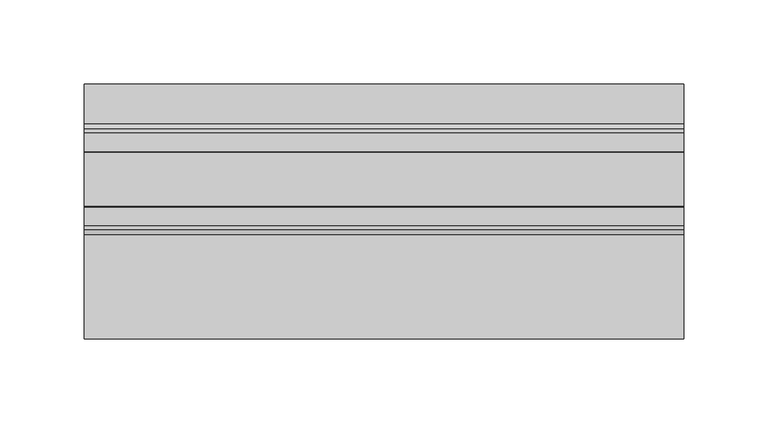
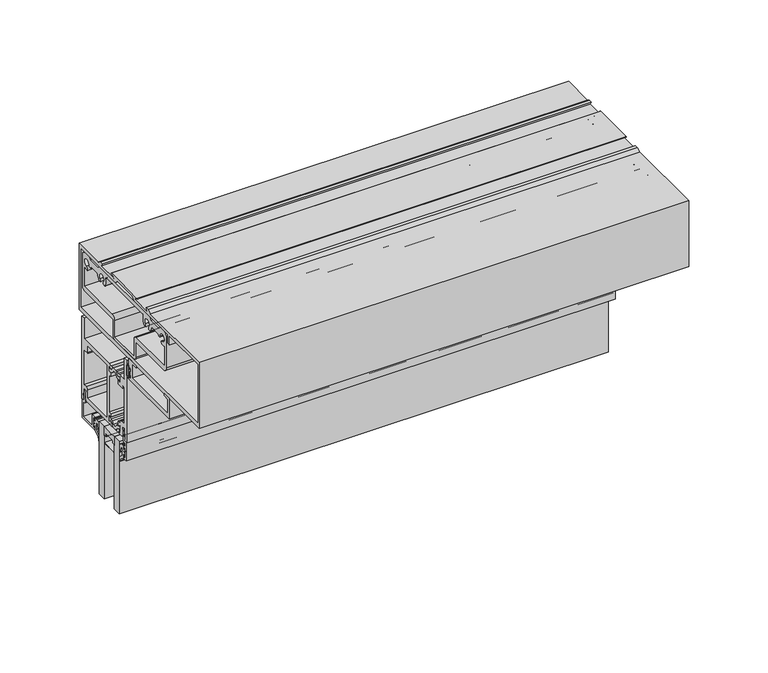
"""IFC4 building model written with IfcOpenShell, lengths in millimetres: plate geometry."""

from ifc_helpers import new_model, si_unit, point, frame, frame_2d, origin, place, context, project, spatial, polyline, circle_curve, trimmed, segment, composite_curve, outline, extrude, source, transform, mapped, element, save


def plate_59df8aa1(model_context):
    return source(origin(), model_context, "Body", "SweptSolid", [
        extrude(outline(composite_curve([segment(trimmed(circle_curve(frame_2d((-12.7, 252.348624)), 24.4943092), [point((-19.05, 228.6917289))], [point((-6.35, 228.6917289))], True, "CARTESIAN"), True, "CONTINUOUS"), segment(polyline([(-6.35, 228.6917289), (-6.35, 221.663957)]), True, "CONTINUOUS"), segment(trimmed(circle_curve(frame_2d((-7.14375, 221.663957)), 0.79375), [point((-6.35, 221.663957))], [point((-7.14375, 222.457707))], True, "CARTESIAN"), True, "CONTINUOUS"), segment(polyline([(-7.14375, 222.457707), (-8.3728775, 222.457707), (-8.3728775, 223.5556044)]), True, "CONTINUOUS"), segment(trimmed(circle_curve(frame_2d((-9.1666275, 223.5556044)), 0.79375), [point((-8.3728775, 223.5556044))], [point((-9.1666275, 224.3493544))], True, "CARTESIAN"), True, "CONTINUOUS"), segment(polyline([(-9.1666275, 224.3493544), (-16.2333725, 224.3493544)]), True, "CONTINUOUS"), segment(trimmed(circle_curve(frame_2d((-16.2333725, 223.5556044)), 0.79375), [point((-16.2333725, 224.3493544))], [point((-17.0271225, 223.5556044))], True, "CARTESIAN"), True, "CONTINUOUS"), segment(polyline([(-17.0271225, 223.5556044), (-17.0271225, 222.457707), (-18.25625, 222.457707)]), True, "CONTINUOUS"), segment(trimmed(circle_curve(frame_2d((-18.25625, 221.663957)), 0.79375), [point((-18.25625, 222.457707))], [point((-19.05, 221.663957))], True, "CARTESIAN"), True, "CONTINUOUS"), segment(polyline([(-19.05, 221.663957), (-19.05, 228.6917289)]), True, "CONTINUOUS")], self_intersect=False)), frame((-177.8, 0.0, 0.0), z_axis=(1.0, 0.0, 0.0), x_axis=(0.0, 1.0, 0.0)), (0.0, 0.0, 1.0), 355.6),
        extrude(outline(composite_curve([segment(polyline([(-34.9514484, 293.1066499), (-34.9514484, 285.1817967)]), True, "CONTINUOUS"), segment(trimmed(circle_curve(frame_2d((-36.1452484, 285.1817967)), 1.1938), [point((-34.9514484, 285.1817967))], [point((-37.3390484, 285.1817967))], False, "CARTESIAN"), True, "CONTINUOUS"), segment(polyline([(-37.3390484, 285.1817967), (-37.3390484, 287.1879153), (-38.31675, 287.1879153), (-38.31675, 285.7147153), (-39.2186484, 285.7147153), (-39.2186484, 287.5689153), (-37.7962484, 287.5689153), (-37.7962484, 290.7185153), (-39.2186484, 290.7185153), (-39.2186484, 292.5727153), (-38.31675, 292.5727153), (-38.31675, 291.0995153), (-37.3390484, 291.0995153), (-37.3390484, 293.1066499)]), True, "CONTINUOUS"), segment(trimmed(circle_curve(frame_2d((-36.1452484, 293.1066499)), 1.1938), [point((-37.3390484, 293.1066499))], [point((-34.9514484, 293.1066499))], False, "CARTESIAN"), True, "CONTINUOUS")], self_intersect=False), holes=[composite_curve([segment(trimmed(circle_curve(frame_2d((-36.1452484, 293.1066499)), 0.6858), [point((-35.4594484, 293.1066499))], [point((-36.8310484, 293.1066499))], True, "CARTESIAN"), True, "CONTINUOUS"), segment(polyline([(-36.8310484, 293.1066499), (-36.8310484, 285.1817967)]), True, "CONTINUOUS"), segment(trimmed(circle_curve(frame_2d((-36.1452484, 285.1817967)), 0.6858), [point((-36.8310484, 285.1817967))], [point((-35.4594484, 285.1817967))], True, "CARTESIAN"), True, "CONTINUOUS"), segment(polyline([(-35.4594484, 285.1817967), (-35.4594484, 293.1066499)]), True, "CONTINUOUS")], self_intersect=False)]), frame((-177.8, 0.0, 0.0), z_axis=(1.0, 0.0, 0.0), x_axis=(0.0, 1.0, 0.0)), (0.0, 0.0, 1.0), 355.6),
        extrude(outline(polyline([(-177.8, -6.35), (-177.8, 0.0), (177.8, 0.0), (177.8, -6.35), (-177.8, -6.35)])), frame((0.0, 0.0, 172.6847153), z_axis=(0.0, 0.0, 1.0), x_axis=(1.0, 0.0, 0.0)), (0.0, 0.0, 1.0), 56.0070136),
        extrude(outline(polyline([(-177.8, -25.4), (-177.8, -19.05), (177.8, -19.05), (177.8, -25.4), (-177.8, -25.4)])), frame((0.0, 0.0, 172.6847153), z_axis=(0.0, 0.0, 1.0), x_axis=(1.0, 0.0, 0.0)), (0.0, 0.0, 1.0), 56.0070136),
        extrude(outline(composite_curve([segment(polyline([(1.2146236, 217.7547881), (3.6195019, 220.0298082), (3.6195019, 223.3964394)]), True, "CONTINUOUS"), segment(trimmed(circle_curve(frame_2d((3.9370017, 223.7514153)), 0.47625), [point((3.6195019, 223.3964394))], [point((3.619501, 224.1063905))], True, "CARTESIAN"), True, "CONTINUOUS"), segment(polyline([(3.619501, 224.1063905), (3.619501, 225.6894264)]), True, "CONTINUOUS"), segment(trimmed(circle_curve(frame_2d((3.1116463, 224.2840488)), 1.4943235), [point((3.619501, 225.6894264))], [point((1.6174209, 224.301171))], True, "CARTESIAN"), True, "CONTINUOUS"), segment(polyline([(1.6174209, 224.301171), (0.5798898, 220.9663861)]), True, "CONTINUOUS"), segment(trimmed(circle_curve(frame_2d((0.2963183, 221.0546119)), 0.2969791), [point((0.5798898, 220.9663861))], [point((0.0, 221.0348119))], False, "CARTESIAN"), True, "CONTINUOUS"), segment(polyline([(0.0, 221.0348119), (0.0, 225.0824819)]), True, "CONTINUOUS"), segment(trimmed(circle_curve(frame_2d((2.8819649, 225.2349635)), 2.8859959), [point((0.0, 225.0824819))], [point((2.7993723, 228.1197774))], False, "CARTESIAN"), True, "CONTINUOUS"), segment(polyline([(2.7993723, 228.1197774), (3.619501, 228.1432578), (4.7625003, 228.1432578), (4.7625003, 225.2246164), (6.1341013, 225.2246164), (6.1341013, 226.5374454)]), True, "CONTINUOUS"), segment(trimmed(circle_curve(frame_2d((6.4896997, 226.8248149)), 0.4571996), [point((6.1341013, 226.5374454))], [point((6.9468994, 226.8248149))], False, "CARTESIAN"), True, "CONTINUOUS"), segment(polyline([(6.9468994, 226.8248149), (6.9468994, 224.7570221)]), True, "CONTINUOUS"), segment(trimmed(circle_curve(frame_2d((6.4706494, 224.7065795)), 0.4789139), [point((6.9468994, 224.7570221))], [point((6.4706494, 224.2276656))], False, "CARTESIAN"), True, "CONTINUOUS"), segment(trimmed(circle_curve(frame_2d((6.4706494, 223.7514156)), 0.47625), [point((6.4706494, 224.2276656))], [point((6.4706494, 223.2751656))], True, "CARTESIAN"), True, "CONTINUOUS"), segment(trimmed(circle_curve(frame_2d((6.3248962, 222.6704806)), 0.6220032), [point((6.4706494, 223.2751656))], [point((6.9468994, 222.6704806))], False, "CARTESIAN"), True, "CONTINUOUS"), segment(polyline([(6.9468994, 222.6704806), (6.9468994, 220.6780162)]), True, "CONTINUOUS"), segment(trimmed(circle_curve(frame_2d((6.4896997, 220.6780162)), 0.4571996), [point((6.9468994, 220.6780162))], [point((6.134102, 220.9653866))], False, "CARTESIAN"), True, "CONTINUOUS"), segment(polyline([(6.134102, 220.9653866), (6.134102, 222.2782299), (4.7625003, 222.2782299), (4.7625003, 218.4065425), (1.4889495, 215.9053304)]), True, "CONTINUOUS"), segment(trimmed(circle_curve(frame_2d((3.0879023, 213.93243)), 2.5394854), [point((1.4889495, 215.9053304))], [point((0.5496136, 213.8544755))], True, "CARTESIAN"), True, "CONTINUOUS"), segment(trimmed(circle_curve(frame_2d((0.2748716, 213.8460377)), 0.2748716), [point((0.5496136, 213.8544755))], [point((0.0, 213.8460377))], False, "CARTESIAN"), True, "CONTINUOUS"), segment(polyline([(0.0, 213.8460377), (0.0, 215.5592614)]), True, "CONTINUOUS"), segment(trimmed(circle_curve(frame_2d((3.0412561, 215.3105023)), 3.0514128), [point((0.0, 215.5592614))], [point((1.2146236, 217.7547881))], False, "CARTESIAN"), True, "CONTINUOUS")], self_intersect=False)), frame((-177.8, 0.0, 0.0), z_axis=(1.0, 0.0, 0.0), x_axis=(0.0, 1.0, 0.0)), (0.0, 0.0, 1.0), 355.6),
        extrude(outline(composite_curve([segment(trimmed(circle_curve(frame_2d((-28.4412561, 215.3105023)), 3.0514128), [point((-26.6146236, 217.7547881))], [point((-25.4, 215.5592614))], False, "CARTESIAN"), True, "CONTINUOUS"), segment(polyline([(-25.4, 215.5592614), (-25.4, 213.8460377)]), True, "CONTINUOUS"), segment(trimmed(circle_curve(frame_2d((-25.6748716, 213.8460377)), 0.2748716), [point((-25.4, 213.8460377))], [point((-25.9496136, 213.8544755))], False, "CARTESIAN"), True, "CONTINUOUS"), segment(trimmed(circle_curve(frame_2d((-28.4879023, 213.93243)), 2.5394854), [point((-25.9496136, 213.8544755))], [point((-26.8889495, 215.9053304))], True, "CARTESIAN"), True, "CONTINUOUS"), segment(polyline([(-26.8889495, 215.9053304), (-30.1625003, 218.4065425), (-30.1625003, 222.2782299), (-31.534102, 222.2782299), (-31.534102, 220.9653866)]), True, "CONTINUOUS"), segment(trimmed(circle_curve(frame_2d((-31.8896997, 220.6780162)), 0.4571996), [point((-31.534102, 220.9653866))], [point((-32.3468994, 220.6780162))], False, "CARTESIAN"), True, "CONTINUOUS"), segment(polyline([(-32.3468994, 220.6780162), (-32.3468994, 222.6704806)]), True, "CONTINUOUS"), segment(trimmed(circle_curve(frame_2d((-31.7248962, 222.6704806)), 0.6220032), [point((-32.3468994, 222.6704806))], [point((-31.8706494, 223.2751656))], False, "CARTESIAN"), True, "CONTINUOUS"), segment(trimmed(circle_curve(frame_2d((-31.8706494, 223.7514156)), 0.47625), [point((-31.8706494, 223.2751656))], [point((-31.8706494, 224.2276656))], True, "CARTESIAN"), True, "CONTINUOUS"), segment(trimmed(circle_curve(frame_2d((-31.8706494, 224.7065795)), 0.4789139), [point((-31.8706494, 224.2276656))], [point((-32.3468994, 224.7570221))], False, "CARTESIAN"), True, "CONTINUOUS"), segment(polyline([(-32.3468994, 224.7570221), (-32.3468994, 226.8248149)]), True, "CONTINUOUS"), segment(trimmed(circle_curve(frame_2d((-31.8896997, 226.8248149)), 0.4571996), [point((-32.3468994, 226.8248149))], [point((-31.5341013, 226.5374454))], False, "CARTESIAN"), True, "CONTINUOUS"), segment(polyline([(-31.5341013, 226.5374454), (-31.5341013, 225.2246164), (-30.1625, 225.2246164), (-30.1625, 228.1432578), (-29.019501, 228.1432578), (-28.1993723, 228.1197774)]), True, "CONTINUOUS"), segment(trimmed(circle_curve(frame_2d((-28.2819649, 225.2349635)), 2.8859959), [point((-28.1993723, 228.1197774))], [point((-25.4, 225.0824819))], False, "CARTESIAN"), True, "CONTINUOUS"), segment(polyline([(-25.4, 225.0824819), (-25.4, 221.0348119)]), True, "CONTINUOUS"), segment(trimmed(circle_curve(frame_2d((-25.6963183, 221.0546119)), 0.2969791), [point((-25.4, 221.0348119))], [point((-25.9798898, 220.9663861))], False, "CARTESIAN"), True, "CONTINUOUS"), segment(polyline([(-25.9798898, 220.9663861), (-27.0174209, 224.301171)]), True, "CONTINUOUS"), segment(trimmed(circle_curve(frame_2d((-28.5116463, 224.2840488)), 1.4943235), [point((-27.0174209, 224.301171))], [point((-29.019501, 225.6894264))], True, "CARTESIAN"), True, "CONTINUOUS"), segment(polyline([(-29.019501, 225.6894264), (-29.019501, 224.1063905)]), True, "CONTINUOUS"), segment(trimmed(circle_curve(frame_2d((-29.3370017, 223.7514153)), 0.47625), [point((-29.019501, 224.1063905))], [point((-29.0195019, 223.3964394))], True, "CARTESIAN"), True, "CONTINUOUS"), segment(polyline([(-29.0195019, 223.3964394), (-29.0195019, 220.0298082), (-26.6146236, 217.7547881)]), True, "CONTINUOUS")], self_intersect=False)), frame((-177.8, 0.0, 0.0), z_axis=(1.0, 0.0, 0.0), x_axis=(0.0, 1.0, 0.0)), (0.0, 0.0, 1.0), 355.6),
        extrude(outline(composite_curve([segment(trimmed(circle_curve(frame_2d((19.0500001, 234.7414348)), 1.4732), [point((17.5768001, 234.7414348))], [point((18.2080195, 235.9503131))], False, "CARTESIAN"), True, "CONTINUOUS"), segment(polyline([(18.2080195, 235.9503131), (17.0960031, 242.0744148), (18.4105948, 242.0744148), (19.7607074, 234.6405968), (18.9879884, 234.7500377), (18.9879884, 233.0353133), (21.4376001, 232.9050148), (21.4376001, 218.6302148), (4.9022001, 218.6302148), (4.7752001, 220.6622148)]), True, "CONTINUOUS"), segment(trimmed(circle_curve(frame_2d((5.5881395, 220.6621578)), 0.8129393), [point((4.7752001, 220.6622148))], [point((5.7899301, 221.4496544))], False, "CARTESIAN"), True, "CONTINUOUS"), segment(polyline([(5.7899301, 221.4496544), (5.7899301, 219.9002148), (7.1628001, 219.9002148), (7.1628001, 227.3932148), (5.7899301, 227.3932148), (5.7899301, 225.8437751)]), True, "CONTINUOUS"), segment(trimmed(circle_curve(frame_2d((5.5881398, 226.6312721)), 0.8129397), [point((5.7899301, 225.8437751))], [point((4.7752001, 226.6312721))], False, "CARTESIAN"), True, "CONTINUOUS"), segment(polyline([(4.7752001, 226.6312721), (4.7752001, 228.6632148), (8.7376001, 228.6632148), (8.7376001, 220.1034148), (19.9644001, 220.1034148), (19.9644001, 231.5588148), (19.0500001, 231.5588148)]), True, "CONTINUOUS"), segment(trimmed(circle_curve(frame_2d((19.0500001, 233.0320148)), 1.4732), [point((19.0500001, 231.5588148))], [point((17.5768001, 233.0320148))], False, "CARTESIAN"), True, "CONTINUOUS"), segment(polyline([(17.5768001, 233.0320148), (17.5768001, 234.7414348)]), True, "CONTINUOUS")], self_intersect=False)), frame((-177.8, 0.0, 0.0), z_axis=(1.0, 0.0, 0.0), x_axis=(0.0, 1.0, 0.0)), (0.0, 0.0, 1.0), 355.6),
        extrude(outline(composite_curve([segment(polyline([(-8.3728775, 223.5556044), (-8.3728775, 222.457707), (-7.14375, 222.457707)]), True, "CONTINUOUS"), segment(trimmed(circle_curve(frame_2d((-7.14375, 221.663957)), 0.79375), [point((-7.14375, 222.457707))], [point((-6.35, 221.663957))], False, "CARTESIAN"), True, "CONTINUOUS"), segment(polyline([(-6.35, 221.663957), (-6.35, 216.7854789)]), True, "CONTINUOUS"), segment(trimmed(circle_curve(frame_2d((-7.14375, 216.7854789)), 0.79375), [point((-6.35, 216.7854789))], [point((-7.14375, 215.9917289))], False, "CARTESIAN"), True, "CONTINUOUS"), segment(polyline([(-7.14375, 215.9917289), (-18.25625, 215.9917289)]), True, "CONTINUOUS"), segment(trimmed(circle_curve(frame_2d((-18.25625, 216.7854789)), 0.79375), [point((-18.25625, 215.9917289))], [point((-19.05, 216.7854789))], False, "CARTESIAN"), True, "CONTINUOUS"), segment(polyline([(-19.05, 216.7854789), (-19.05, 221.663957)]), True, "CONTINUOUS"), segment(trimmed(circle_curve(frame_2d((-18.25625, 221.663957)), 0.79375), [point((-19.05, 221.663957))], [point((-18.25625, 222.457707))], False, "CARTESIAN"), True, "CONTINUOUS"), segment(polyline([(-18.25625, 222.457707), (-17.0271225, 222.457707), (-17.0271225, 223.5556044)]), True, "CONTINUOUS"), segment(trimmed(circle_curve(frame_2d((-16.2333725, 223.5556044)), 0.79375), [point((-17.0271225, 223.5556044))], [point((-16.2333725, 224.3493544))], False, "CARTESIAN"), True, "CONTINUOUS"), segment(polyline([(-16.2333725, 224.3493544), (-9.1666275, 224.3493544)]), True, "CONTINUOUS"), segment(trimmed(circle_curve(frame_2d((-9.1666275, 223.5556044)), 0.79375), [point((-9.1666275, 224.3493544))], [point((-8.3728775, 223.5556044))], False, "CARTESIAN"), True, "CONTINUOUS")], self_intersect=False), holes=[composite_curve([segment(polyline([(-16.5191225, 223.8413544), (-16.5191225, 222.743457)]), True, "CONTINUOUS"), segment(trimmed(circle_curve(frame_2d((-17.3128725, 222.743457)), 0.79375), [point((-16.5191225, 222.743457))], [point((-17.3128725, 221.949707))], False, "CARTESIAN"), True, "CONTINUOUS"), segment(polyline([(-17.3128725, 221.949707), (-18.542, 221.949707), (-18.542, 216.4997289), (-6.858, 216.4997289), (-6.858, 221.949707), (-8.0871275, 221.949707)]), True, "CONTINUOUS"), segment(trimmed(circle_curve(frame_2d((-8.0871275, 222.743457)), 0.79375), [point((-8.0871275, 221.949707))], [point((-8.8808775, 222.743457))], False, "CARTESIAN"), True, "CONTINUOUS"), segment(polyline([(-8.8808775, 222.743457), (-8.8808775, 223.8413544), (-16.5191225, 223.8413544)]), True, "CONTINUOUS")], self_intersect=False)]), frame((-177.8, 0.0, 0.0), z_axis=(1.0, 0.0, 0.0), x_axis=(0.0, 1.0, 0.0)), (0.0, 0.0, 1.0), 355.6),
        extrude(outline(composite_curve([segment(polyline([(-34.1276564, 218.7349153), (-34.0673249, 232.9997986), (-31.6471876, 232.9997986), (-31.6471876, 234.631996), (-32.4372227, 234.5209638), (-31.0981976, 241.9539199), (-29.8175355, 241.8307794), (-30.9128526, 235.7506519)]), True, "CONTINUOUS"), segment(trimmed(circle_curve(frame_2d((-31.7464064, 234.5359477)), 1.4732), [point((-30.9128526, 235.7506519))], [point((-30.2732064, 234.5359477))], False, "CARTESIAN"), True, "CONTINUOUS"), segment(polyline([(-30.2732064, 234.5359477), (-30.2732064, 233.0224153)]), True, "CONTINUOUS"), segment(trimmed(circle_curve(frame_2d((-31.7464064, 233.0224153)), 1.4732), [point((-30.2732064, 233.0224153))], [point((-31.7464064, 231.5492153))], False, "CARTESIAN"), True, "CONTINUOUS"), segment(polyline([(-31.7464064, 231.5492153), (-32.6544564, 231.5492153), (-32.6544564, 228.7679153), (-30.1589064, 228.7679153), (-30.1589064, 226.7486153)]), True, "CONTINUOUS"), segment(trimmed(circle_curve(frame_2d((-30.9717064, 226.7486153)), 0.8128), [point((-30.1589064, 226.7486153))], [point((-31.1749064, 225.9616251))], False, "CARTESIAN"), True, "CONTINUOUS"), segment(polyline([(-31.1749064, 225.9616251), (-31.1749064, 227.4979153), (-32.5401564, 227.4979153), (-32.5401564, 220.0049153), (-31.1749064, 220.0049153), (-31.1749064, 221.5666055)]), True, "CONTINUOUS"), segment(trimmed(circle_curve(frame_2d((-30.9717064, 220.7796153)), 0.8128), [point((-31.1749064, 221.5666055))], [point((-30.1589064, 220.7796153))], False, "CARTESIAN"), True, "CONTINUOUS"), segment(polyline([(-30.1589064, 220.7796153), (-30.2859064, 218.7349153), (-34.1276564, 218.7349153)]), True, "CONTINUOUS")], self_intersect=False)), frame((-177.8, 0.0, 0.0), z_axis=(1.0, 0.0, 0.0), x_axis=(0.0, 1.0, 0.0)), (0.0, 0.0, 1.0), 355.6),
        extrude(outline(composite_curve([segment(trimmed(circle_curve(frame_2d((19.0500001, 234.7414348)), 1.4732), [point((17.5768001, 234.7414348))], [point((18.2080195, 235.9503131))], False, "CARTESIAN"), True, "CONTINUOUS"), segment(polyline([(18.2080195, 235.9503131), (17.0960031, 242.0744148), (18.4105948, 242.0744148), (19.7607074, 234.6405968), (18.9879884, 234.7500377), (18.9879884, 233.0353133), (21.4376001, 232.9050148), (21.4376001, 218.6302148), (4.9022001, 218.6302148), (4.7752001, 220.6622148)]), True, "CONTINUOUS"), segment(trimmed(circle_curve(frame_2d((5.5881395, 220.6621578)), 0.8129393), [point((4.7752001, 220.6622148))], [point((5.7899301, 221.4496544))], False, "CARTESIAN"), True, "CONTINUOUS"), segment(polyline([(5.7899301, 221.4496544), (5.7899301, 219.9002148), (7.1628001, 219.9002148), (7.1628001, 227.3932148), (5.7899301, 227.3932148), (5.7899301, 225.8437751)]), True, "CONTINUOUS"), segment(trimmed(circle_curve(frame_2d((5.5881398, 226.6312721)), 0.8129397), [point((5.7899301, 225.8437751))], [point((4.7752001, 226.6312721))], False, "CARTESIAN"), True, "CONTINUOUS"), segment(polyline([(4.7752001, 226.6312721), (4.7752001, 228.6632148), (8.7376001, 228.6632148), (8.7376001, 220.1034148), (19.9644001, 220.1034148), (19.9644001, 231.5588148), (19.0500001, 231.5588148)]), True, "CONTINUOUS"), segment(trimmed(circle_curve(frame_2d((19.0500001, 233.0320148)), 1.4732), [point((19.0500001, 231.5588148))], [point((17.5768001, 233.0320148))], False, "CARTESIAN"), True, "CONTINUOUS"), segment(polyline([(17.5768001, 233.0320148), (17.5768001, 234.7414348)]), True, "CONTINUOUS")], self_intersect=False)), frame((-177.8, 0.0, 0.0), z_axis=(1.0, 0.0, 0.0), x_axis=(0.0, 1.0, 0.0)), (0.0, 0.0, 1.0), 355.6),
        extrude(outline(composite_curve([segment(trimmed(circle_curve(frame_2d((-37.73499, 291.8615153)), 0.4318), [point((-37.30319, 291.8615153))], [point((-38.1346289, 292.0250391))], False, "CARTESIAN"), True, "CONTINUOUS"), segment(trimmed(circle_curve(frame_2d((-38.7116898, 292.2611602)), 0.6235002), [point((-38.1346289, 292.0250391))], [point((-39.33519, 292.2611602))], True, "CARTESIAN"), True, "CONTINUOUS"), segment(polyline([(-39.33519, 292.2611602), (-39.33519, 285.9687153)]), True, "CONTINUOUS"), segment(trimmed(circle_curve(frame_2d((-38.7222466, 286.0627884)), 0.6201205), [point((-39.33519, 285.9687153))], [point((-38.1402463, 286.2768563))], True, "CARTESIAN"), True, "CONTINUOUS"), segment(trimmed(circle_curve(frame_2d((-37.73499, 286.4259153)), 0.4318), [point((-38.1402463, 286.2768563))], [point((-37.30319, 286.4259153))], False, "CARTESIAN"), True, "CONTINUOUS"), segment(polyline([(-37.30319, 286.4259153), (-37.30319, 284.5971153)]), True, "CONTINUOUS"), segment(trimmed(circle_curve(frame_2d((-38.09059, 284.5971153)), 0.7874), [point((-37.30319, 284.5971153))], [point((-38.09059, 283.8097153))], False, "CARTESIAN"), True, "CONTINUOUS"), segment(polyline([(-38.09059, 283.8097153), (-88.1032275, 283.8097153), (-88.1032275, 299.6847153), (-81.7532275, 299.5739713), (-81.7532275, 298.1099153), (-86.5284275, 298.1099153), (-86.5284275, 286.9847153), (-41.5196275, 286.9847153), (-41.5196275, 298.1099153), (-46.8282275, 298.1099153), (-46.8282275, 299.5183453), (-37.30319, 299.6847153), (-37.30319, 291.8615153)]), True, "CONTINUOUS")], self_intersect=False)), frame((-177.8, 0.0, 0.0), z_axis=(1.0, 0.0, 0.0), x_axis=(0.0, 1.0, 0.0)), (0.0, 0.0, 1.0), 355.6),
        extrude(outline(composite_curve([segment(polyline([(19.0500001, 280.6474153), (19.0500001, 296.5224153), (21.8948001, 296.5224153), (21.8948001, 233.0224153), (19.0500001, 233.0224153), (19.0500001, 234.2924153), (19.862795, 234.2924153), (19.4499993, 242.5220153), (17.0688001, 242.5220153), (17.0688001, 236.1910934)]), True, "CONTINUOUS"), segment(trimmed(circle_curve(frame_2d((15.4940001, 236.1910934)), 1.5748), [point((17.0688001, 236.1910934))], [point((15.4940001, 234.6162934))], False, "CARTESIAN"), True, "CONTINUOUS"), segment(polyline([(15.4940001, 234.6162934), (-12.4616861, 234.6162934), (-14.6792966, 235.2105003), (-15.283713, 234.707152)]), True, "CONTINUOUS"), segment(trimmed(circle_curve(frame_2d((-15.8690069, 235.287496)), 0.8242378), [point((-15.283713, 234.707152))], [point((-16.5466491, 235.7567177))], False, "CARTESIAN"), True, "CONTINUOUS"), segment(polyline([(-16.5466491, 235.7567177), (-15.8444381, 236.7708392), (-14.1842071, 237.500107), (-12.9464135, 236.3561103)]), True, "CONTINUOUS"), segment(trimmed(circle_curve(frame_2d((-12.3966681, 236.5800475)), 0.5936058), [point((-12.9464135, 236.3561103))], [point((-11.8030624, 236.5800475))], True, "CARTESIAN"), True, "CONTINUOUS"), segment(polyline([(-11.8030624, 236.5800475), (-11.8030624, 241.6113576), (-14.8259799, 241.1722604), (-14.8259799, 243.3199966), (-12.4078999, 243.3199966), (-12.4078999, 271.9437121), (-14.8259799, 271.9437121), (-14.8259799, 274.8939851), (-12.0014999, 274.4837121), (-12.0014999, 278.6836612)]), True, "CONTINUOUS"), segment(trimmed(circle_curve(frame_2d((-12.5951057, 278.6836612)), 0.5936058), [point((-12.0014999, 278.6836612))], [point((-13.1887114, 278.6836612))], True, "CARTESIAN"), True, "CONTINUOUS"), segment(polyline([(-13.1887114, 278.6836612), (-14.1842071, 277.7636016), (-15.8444381, 278.4928695), (-16.5466491, 279.506991)]), True, "CONTINUOUS"), segment(trimmed(circle_curve(frame_2d((-15.8690069, 279.9762127)), 0.8242378), [point((-16.5466491, 279.506991))], [point((-15.283713, 280.5565566))], False, "CARTESIAN"), True, "CONTINUOUS"), segment(polyline([(-15.283713, 280.5565566), (-14.6792966, 280.0532084), (-12.4616861, 280.6474153), (19.0500001, 280.6474153)]), True, "CONTINUOUS")], self_intersect=False), holes=[composite_curve([segment(trimmed(circle_curve(frame_2d((15.0876001, 272.7311121)), 0.7874), [point((15.0876001, 271.9437121))], [point((14.3002001, 272.7311121))], False, "CARTESIAN"), True, "CONTINUOUS"), segment(polyline([(14.3002001, 272.7311121), (14.3002001, 277.4724153), (-9.2328999, 277.4724153), (-9.2328999, 237.7912934), (14.3002001, 237.7912934), (14.3002001, 244.1222153)]), True, "CONTINUOUS"), segment(trimmed(circle_curve(frame_2d((15.8750001, 244.1222153)), 1.5748), [point((14.3002001, 244.1222153))], [point((15.8750001, 245.6970153))], False, "CARTESIAN"), True, "CONTINUOUS"), segment(polyline([(15.8750001, 245.6970153), (18.7198001, 245.6970153), (18.7198001, 271.9437121), (15.0876001, 271.9437121)]), True, "CONTINUOUS")], self_intersect=False)]), frame((-177.8, 0.0, 0.0), z_axis=(1.0, 0.0, 0.0), x_axis=(0.0, 1.0, 0.0)), (0.0, 0.0, 1.0), 355.6),
        extrude(outline(composite_curve([segment(polyline([(-23.7820199, 239.8550278), (-26.6064999, 241.4857421), (-26.6064999, 236.5918521)]), True, "CONTINUOUS"), segment(trimmed(circle_curve(frame_2d((-26.0984998, 236.5918521)), 0.508), [point((-26.6064999, 236.5918521))], [point((-26.0926066, 236.0838862))], True, "CARTESIAN"), True, "CONTINUOUS"), segment(polyline([(-26.0926066, 236.0838862), (-24.4021052, 237.5023853), (-22.7635618, 236.7826438), (-21.9926524, 235.6693093), (-21.9926524, 234.6280979), (-23.1924006, 234.6280979), (-23.8073259, 235.2430233), (-26.146241, 234.6163129), (-28.1861634, 234.6163129)]), True, "CONTINUOUS"), segment(trimmed(circle_curve(frame_2d((-28.1939999, 236.1910934)), 1.5748), [point((-28.1861634, 234.6163129))], [point((-29.7687999, 236.1910934))], False, "CARTESIAN"), True, "CONTINUOUS"), segment(polyline([(-29.7687999, 236.1910934), (-29.7687999, 242.5220153), (-32.1499991, 242.5220153), (-32.5627999, 234.2924153), (-31.7499999, 234.2924153), (-31.7499999, 233.0224153), (-34.5947999, 233.0224153), (-34.5947999, 296.5224153), (-31.7499999, 296.5224153), (-31.7499999, 280.6474153), (-26.1463137, 280.6474153), (-23.9287032, 280.0532084), (-22.4438438, 280.6474153), (-21.9101175, 279.7229743), (-22.7675508, 278.4984326), (-24.238078, 277.7465668), (-26.6064998, 279.4049536), (-26.6064998, 273.7897712), (-23.7820198, 275.4204855), (-23.7820198, 271.9437121), (-29.7698572, 271.9437121), (-29.7698572, 273.4424337)]), True, "CONTINUOUS"), segment(trimmed(circle_curve(frame_2d((-30.5958838, 273.4424337)), 0.8260266), [point((-29.7698572, 273.4424337))], [point((-31.4219104, 273.4424337))], True, "CARTESIAN"), True, "CONTINUOUS"), segment(polyline([(-31.4219104, 273.4424337), (-31.4219104, 245.6970153), (-28.1685999, 245.6970153)]), True, "CONTINUOUS"), segment(trimmed(circle_curve(frame_2d((-28.1685999, 244.1222153)), 1.5748), [point((-28.1685999, 245.6970153))], [point((-26.8134467, 243.3199966))], False, "CARTESIAN"), True, "CONTINUOUS"), segment(polyline([(-26.8134467, 243.3199966), (-23.7820199, 243.3199966), (-23.7820199, 239.8550278)]), True, "CONTINUOUS")], self_intersect=False)), frame((-177.8, 0.0, 0.0), z_axis=(1.0, 0.0, 0.0), x_axis=(0.0, 1.0, 0.0)), (0.0, 0.0, 1.0), 355.6),
        extrude(outline(composite_curve([segment(trimmed(circle_curve(frame_2d((-23.1809622, 242.2374204)), 2.4892), [point((-24.4255622, 240.0817099))], [point((-23.5568194, 239.7767603))], True, "CARTESIAN"), True, "CONTINUOUS"), segment(trimmed(circle_curve(frame_2d((-23.9403472, 237.2658827)), 2.54), [point((-23.5568194, 239.7767603))], [point((-21.9860723, 238.8883529))], False, "CARTESIAN"), True, "CONTINUOUS"), segment(polyline([(-21.9860723, 238.8883529), (-20.6266866, 237.2509649)]), True, "CONTINUOUS"), segment(trimmed(circle_curve(frame_2d((-19.2977797, 238.3542447)), 1.7272), [point((-20.6266866, 237.2509649))], [point((-17.9688728, 237.2509649))], True, "CARTESIAN"), True, "CONTINUOUS"), segment(polyline([(-17.9688728, 237.2509649), (-16.6095134, 238.8883212)]), True, "CONTINUOUS"), segment(trimmed(circle_curve(frame_2d((-14.6552385, 237.2658509)), 2.54), [point((-16.6095134, 238.8883212))], [point((-15.0387663, 239.7767285))], False, "CARTESIAN"), True, "CONTINUOUS"), segment(trimmed(circle_curve(frame_2d((-15.4146236, 242.2373886)), 2.4892), [point((-15.0387663, 239.7767285))], [point((-14.1700236, 240.0816782))], True, "CARTESIAN"), True, "CONTINUOUS"), segment(polyline([(-14.1700236, 240.0816782), (-11.9953005, 241.3372551), (-11.9953005, 236.2412063), (-14.9359681, 237.8773974), (-17.566093, 234.7093966), (-21.029508, 234.7093966), (-23.6808354, 237.9029359), (-26.6003005, 235.8587044), (-26.6003005, 241.3372957), (-24.4255622, 240.0817099)]), True, "CONTINUOUS")], self_intersect=False)), frame((-177.8, 0.0, 0.0), z_axis=(1.0, 0.0, 0.0), x_axis=(0.0, 1.0, 0.0)), (0.0, 0.0, 1.0), 355.6),
        extrude(outline(composite_curve([segment(polyline([(-24.4237926, 275.1944315), (-26.5568905, 274.0075731), (-26.5568905, 279.0475646), (-23.5912193, 277.3353336), (-21.0357074, 280.4134626), (-17.5722923, 280.4134626), (-14.9421674, 277.2454618), (-12.1255233, 278.8126461), (-12.1255233, 274.5497918), (-14.1197627, 275.2068338)]), True, "CONTINUOUS"), segment(trimmed(circle_curve(frame_2d((-15.3643627, 273.0511234)), 2.4892), [point((-14.1197627, 275.2068338))], [point((-14.9885054, 275.5117834))], True, "CARTESIAN"), True, "CONTINUOUS"), segment(trimmed(circle_curve(frame_2d((-14.6049777, 278.0226611)), 2.54), [point((-14.9885054, 275.5117834))], [point((-16.5592525, 276.4001908))], False, "CARTESIAN"), True, "CONTINUOUS"), segment(polyline([(-16.5592525, 276.4001908), (-17.8965359, 278.0109564)]), True, "CONTINUOUS"), segment(trimmed(circle_curve(frame_2d((-19.2254428, 276.9076766)), 1.7272), [point((-17.8965359, 278.0109564))], [point((-20.5543497, 278.0109564))], True, "CARTESIAN"), True, "CONTINUOUS"), segment(polyline([(-20.5543497, 278.0109564), (-22.020802, 276.3464041)]), True, "CONTINUOUS"), segment(trimmed(circle_curve(frame_2d((-23.9293144, 277.957658)), 2.4977107), [point((-22.020802, 276.3464041))], [point((-23.5632497, 275.4869181))], False, "CARTESIAN"), True, "CONTINUOUS"), segment(trimmed(circle_curve(frame_2d((-23.1923385, 272.9834667)), 2.5307794), [point((-23.5632497, 275.4869181))], [point((-24.4237926, 275.1944315))], True, "CARTESIAN"), True, "CONTINUOUS")], self_intersect=False)), frame((-177.8, 0.0, 0.0), z_axis=(1.0, 0.0, 0.0), x_axis=(0.0, 1.0, 0.0)), (0.0, 0.0, 1.0), 355.6),
        extrude(outline(composite_curve([segment(polyline([(19.0500001, 280.6474153), (19.0500001, 296.5224153), (21.8948001, 296.5224153), (21.8948001, 233.0224153), (19.0500001, 233.0224153), (19.0500001, 234.2924153), (19.862795, 234.2924153), (19.4499993, 242.5220153), (17.0688001, 242.5220153), (17.0688001, 236.1910934)]), True, "CONTINUOUS"), segment(trimmed(circle_curve(frame_2d((15.4940001, 236.1910934)), 1.5748), [point((17.0688001, 236.1910934))], [point((15.4940001, 234.6162934))], False, "CARTESIAN"), True, "CONTINUOUS"), segment(polyline([(15.4940001, 234.6162934), (-12.4616861, 234.6162934), (-14.6792966, 235.2105003), (-15.283713, 234.707152)]), True, "CONTINUOUS"), segment(trimmed(circle_curve(frame_2d((-15.8690069, 235.287496)), 0.8242378), [point((-15.283713, 234.707152))], [point((-16.5466491, 235.7567177))], False, "CARTESIAN"), True, "CONTINUOUS"), segment(polyline([(-16.5466491, 235.7567177), (-15.8444381, 236.7708392), (-14.1842071, 237.500107), (-12.9464135, 236.3561103)]), True, "CONTINUOUS"), segment(trimmed(circle_curve(frame_2d((-12.3966681, 236.5800475)), 0.5936058), [point((-12.9464135, 236.3561103))], [point((-11.8030624, 236.5800475))], True, "CARTESIAN"), True, "CONTINUOUS"), segment(polyline([(-11.8030624, 236.5800475), (-11.8030624, 241.6113576), (-14.8259799, 241.1722604), (-14.8259799, 243.3199966), (-12.4078999, 243.3199966), (-12.4078999, 271.9437121), (-14.8259799, 271.9437121), (-14.8259799, 274.8939851), (-12.0014999, 274.4837121), (-12.0014999, 278.6836612)]), True, "CONTINUOUS"), segment(trimmed(circle_curve(frame_2d((-12.5951057, 278.6836612)), 0.5936058), [point((-12.0014999, 278.6836612))], [point((-13.1887114, 278.6836612))], True, "CARTESIAN"), True, "CONTINUOUS"), segment(polyline([(-13.1887114, 278.6836612), (-14.1842071, 277.7636016), (-15.8444381, 278.4928695), (-16.5466491, 279.506991)]), True, "CONTINUOUS"), segment(trimmed(circle_curve(frame_2d((-15.8690069, 279.9762127)), 0.8242378), [point((-16.5466491, 279.506991))], [point((-15.283713, 280.5565566))], False, "CARTESIAN"), True, "CONTINUOUS"), segment(polyline([(-15.283713, 280.5565566), (-14.6792966, 280.0532084), (-12.4616861, 280.6474153), (19.0500001, 280.6474153)]), True, "CONTINUOUS")], self_intersect=False), holes=[composite_curve([segment(trimmed(circle_curve(frame_2d((15.0876001, 272.7311121)), 0.7874), [point((15.0876001, 271.9437121))], [point((14.3002001, 272.7311121))], False, "CARTESIAN"), True, "CONTINUOUS"), segment(polyline([(14.3002001, 272.7311121), (14.3002001, 277.4724153), (-9.2328999, 277.4724153), (-9.2328999, 237.7912934), (14.3002001, 237.7912934), (14.3002001, 244.1222153)]), True, "CONTINUOUS"), segment(trimmed(circle_curve(frame_2d((15.8750001, 244.1222153)), 1.5748), [point((14.3002001, 244.1222153))], [point((15.8750001, 245.6970153))], False, "CARTESIAN"), True, "CONTINUOUS"), segment(polyline([(15.8750001, 245.6970153), (18.7198001, 245.6970153), (18.7198001, 271.9437121), (15.0876001, 271.9437121)]), True, "CONTINUOUS")], self_intersect=False)]), frame((-177.8, 0.0, 0.0), z_axis=(1.0, 0.0, 0.0), x_axis=(0.0, 1.0, 0.0)), (0.0, 0.0, 1.0), 355.6),
        extrude(outline(composite_curve([segment(polyline([(-23.7820199, 239.8550278), (-26.6064999, 241.4857421), (-26.6064999, 236.5918521)]), True, "CONTINUOUS"), segment(trimmed(circle_curve(frame_2d((-26.0984998, 236.5918521)), 0.508), [point((-26.6064999, 236.5918521))], [point((-26.0926066, 236.0838862))], True, "CARTESIAN"), True, "CONTINUOUS"), segment(polyline([(-26.0926066, 236.0838862), (-24.4021052, 237.5023853), (-22.7635618, 236.7826438), (-21.9926524, 235.6693093), (-21.9926524, 234.6280979), (-23.1924006, 234.6280979), (-23.8073259, 235.2430233), (-26.146241, 234.6163129), (-28.1861634, 234.6163129)]), True, "CONTINUOUS"), segment(trimmed(circle_curve(frame_2d((-28.1939999, 236.1910934)), 1.5748), [point((-28.1861634, 234.6163129))], [point((-29.7687999, 236.1910934))], False, "CARTESIAN"), True, "CONTINUOUS"), segment(polyline([(-29.7687999, 236.1910934), (-29.7687999, 242.5220153), (-32.1499991, 242.5220153), (-32.5627999, 234.2924153), (-31.7499999, 234.2924153), (-31.7499999, 233.0224153), (-34.5947999, 233.0224153), (-34.5947999, 296.5224153), (-31.7499999, 296.5224153), (-31.7499999, 280.6474153), (-26.1463137, 280.6474153), (-23.9287032, 280.0532084), (-22.4438438, 280.6474153), (-21.9101175, 279.7229743), (-22.7675508, 278.4984326), (-24.238078, 277.7465668), (-26.6064998, 279.4049536), (-26.6064998, 273.7897712), (-23.7820198, 275.4204855), (-23.7820198, 271.9437121), (-29.7698572, 271.9437121), (-29.7698572, 273.4424337)]), True, "CONTINUOUS"), segment(trimmed(circle_curve(frame_2d((-30.5958838, 273.4424337)), 0.8260266), [point((-29.7698572, 273.4424337))], [point((-31.4219104, 273.4424337))], True, "CARTESIAN"), True, "CONTINUOUS"), segment(polyline([(-31.4219104, 273.4424337), (-31.4219104, 245.6970153), (-28.1685999, 245.6970153)]), True, "CONTINUOUS"), segment(trimmed(circle_curve(frame_2d((-28.1685999, 244.1222153)), 1.5748), [point((-28.1685999, 245.6970153))], [point((-26.8134467, 243.3199966))], False, "CARTESIAN"), True, "CONTINUOUS"), segment(polyline([(-26.8134467, 243.3199966), (-23.7820199, 243.3199966), (-23.7820199, 239.8550278)]), True, "CONTINUOUS")], self_intersect=False)), frame((-177.8, 0.0, 0.0), z_axis=(1.0, 0.0, 0.0), x_axis=(0.0, 1.0, 0.0)), (0.0, 0.0, 1.0), 355.6),
        extrude(outline(composite_curve([segment(polyline([(19.0500001, 280.6474153), (19.0500001, 296.5224153), (21.8948001, 296.5224153), (21.8948001, 233.0224153), (19.0500001, 233.0224153), (19.0500001, 234.2924153), (19.862795, 234.2924153), (19.4499993, 242.5220153), (17.0688001, 242.5220153), (17.0688001, 236.1910934)]), True, "CONTINUOUS"), segment(trimmed(circle_curve(frame_2d((15.4940001, 236.1910934)), 1.5748), [point((17.0688001, 236.1910934))], [point((15.4940001, 234.6162934))], False, "CARTESIAN"), True, "CONTINUOUS"), segment(polyline([(15.4940001, 234.6162934), (-12.4616861, 234.6162934), (-14.6792966, 235.2105003), (-15.283713, 234.707152)]), True, "CONTINUOUS"), segment(trimmed(circle_curve(frame_2d((-15.8690069, 235.287496)), 0.8242378), [point((-15.283713, 234.707152))], [point((-16.5466491, 235.7567177))], False, "CARTESIAN"), True, "CONTINUOUS"), segment(polyline([(-16.5466491, 235.7567177), (-15.8444381, 236.7708392), (-14.1842071, 237.500107), (-12.9464135, 236.3561103)]), True, "CONTINUOUS"), segment(trimmed(circle_curve(frame_2d((-12.3966681, 236.5800475)), 0.5936058), [point((-12.9464135, 236.3561103))], [point((-11.8030624, 236.5800475))], True, "CARTESIAN"), True, "CONTINUOUS"), segment(polyline([(-11.8030624, 236.5800475), (-11.8030624, 241.6113576), (-14.8259799, 241.1722604), (-14.8259799, 243.3199966), (-12.4078999, 243.3199966), (-12.4078999, 271.9437121), (-14.8259799, 271.9437121), (-14.8259799, 274.8939851), (-12.0014999, 274.4837121), (-12.0014999, 278.6836612)]), True, "CONTINUOUS"), segment(trimmed(circle_curve(frame_2d((-12.5951057, 278.6836612)), 0.5936058), [point((-12.0014999, 278.6836612))], [point((-13.1887114, 278.6836612))], True, "CARTESIAN"), True, "CONTINUOUS"), segment(polyline([(-13.1887114, 278.6836612), (-14.1842071, 277.7636016), (-15.8444381, 278.4928695), (-16.5466491, 279.506991)]), True, "CONTINUOUS"), segment(trimmed(circle_curve(frame_2d((-15.8690069, 279.9762127)), 0.8242378), [point((-16.5466491, 279.506991))], [point((-15.283713, 280.5565566))], False, "CARTESIAN"), True, "CONTINUOUS"), segment(polyline([(-15.283713, 280.5565566), (-14.6792966, 280.0532084), (-12.4616861, 280.6474153), (19.0500001, 280.6474153)]), True, "CONTINUOUS")], self_intersect=False), holes=[composite_curve([segment(trimmed(circle_curve(frame_2d((15.0876001, 272.7311121)), 0.7874), [point((15.0876001, 271.9437121))], [point((14.3002001, 272.7311121))], False, "CARTESIAN"), True, "CONTINUOUS"), segment(polyline([(14.3002001, 272.7311121), (14.3002001, 277.4724153), (-9.2328999, 277.4724153), (-9.2328999, 237.7912934), (14.3002001, 237.7912934), (14.3002001, 244.1222153)]), True, "CONTINUOUS"), segment(trimmed(circle_curve(frame_2d((15.8750001, 244.1222153)), 1.5748), [point((14.3002001, 244.1222153))], [point((15.8750001, 245.6970153))], False, "CARTESIAN"), True, "CONTINUOUS"), segment(polyline([(15.8750001, 245.6970153), (18.7198001, 245.6970153), (18.7198001, 271.9437121), (15.0876001, 271.9437121)]), True, "CONTINUOUS")], self_intersect=False)]), frame((-177.8, 0.0, 0.0), z_axis=(1.0, 0.0, 0.0), x_axis=(0.0, 1.0, 0.0)), (0.0, 0.0, 1.0), 355.6),
        extrude(outline(composite_curve([segment(polyline([(-23.7820199, 239.8550278), (-26.6064999, 241.4857421), (-26.6064999, 236.5918521)]), True, "CONTINUOUS"), segment(trimmed(circle_curve(frame_2d((-26.0984998, 236.5918521)), 0.508), [point((-26.6064999, 236.5918521))], [point((-26.0926066, 236.0838862))], True, "CARTESIAN"), True, "CONTINUOUS"), segment(polyline([(-26.0926066, 236.0838862), (-24.4021052, 237.5023853), (-22.7635618, 236.7826438), (-21.9926524, 235.6693093), (-21.9926524, 234.6280979), (-23.1924006, 234.6280979), (-23.8073259, 235.2430233), (-26.146241, 234.6163129), (-28.1861634, 234.6163129)]), True, "CONTINUOUS"), segment(trimmed(circle_curve(frame_2d((-28.1939999, 236.1910934)), 1.5748), [point((-28.1861634, 234.6163129))], [point((-29.7687999, 236.1910934))], False, "CARTESIAN"), True, "CONTINUOUS"), segment(polyline([(-29.7687999, 236.1910934), (-29.7687999, 242.5220153), (-32.1499991, 242.5220153), (-32.5627999, 234.2924153), (-31.7499999, 234.2924153), (-31.7499999, 233.0224153), (-34.5947999, 233.0224153), (-34.5947999, 296.5224153), (-31.7499999, 296.5224153), (-31.7499999, 280.6474153), (-26.1463137, 280.6474153), (-23.9287032, 280.0532084), (-22.4438438, 280.6474153), (-21.9101175, 279.7229743), (-22.7675508, 278.4984326), (-24.238078, 277.7465668), (-26.6064998, 279.4049536), (-26.6064998, 273.7897712), (-23.7820198, 275.4204855), (-23.7820198, 271.9437121), (-29.7698572, 271.9437121), (-29.7698572, 273.4424337)]), True, "CONTINUOUS"), segment(trimmed(circle_curve(frame_2d((-30.5958838, 273.4424337)), 0.8260266), [point((-29.7698572, 273.4424337))], [point((-31.4219104, 273.4424337))], True, "CARTESIAN"), True, "CONTINUOUS"), segment(polyline([(-31.4219104, 273.4424337), (-31.4219104, 245.6970153), (-28.1685999, 245.6970153)]), True, "CONTINUOUS"), segment(trimmed(circle_curve(frame_2d((-28.1685999, 244.1222153)), 1.5748), [point((-28.1685999, 245.6970153))], [point((-26.8134467, 243.3199966))], False, "CARTESIAN"), True, "CONTINUOUS"), segment(polyline([(-26.8134467, 243.3199966), (-23.7820199, 243.3199966), (-23.7820199, 239.8550278)]), True, "CONTINUOUS")], self_intersect=False)), frame((-177.8, 0.0, 0.0), z_axis=(1.0, 0.0, 0.0), x_axis=(0.0, 1.0, 0.0)), (0.0, 0.0, 1.0), 355.6),
        extrude(outline(composite_curve([segment(polyline([(-63.4339599, 347.3097153), (0.0660401, 347.3097153), (1.6408401, 345.7349153), (11.1785401, 345.7349153), (12.7660401, 347.3097153), (17.8435001, 347.3097153)]), True, "CONTINUOUS"), segment(trimmed(circle_curve(frame_2d((17.8435001, 344.1347153)), 3.175), [point((17.8435001, 347.3097153))], [point((21.0185001, 344.1347153))], False, "CARTESIAN"), True, "CONTINUOUS"), segment(polyline([(21.0185001, 344.1347153), (21.0185001, 320.6651153)]), True, "CONTINUOUS"), segment(trimmed(circle_curve(frame_2d((17.8435001, 320.6651153)), 3.175), [point((21.0185001, 320.6651153))], [point((17.8435001, 317.4901153))], False, "CARTESIAN"), True, "CONTINUOUS"), segment(polyline([(17.8435001, 317.4901153), (-17.4599599, 317.4901153), (-17.4599599, 305.6537153)]), True, "CONTINUOUS"), segment(trimmed(circle_curve(frame_2d((-19.8475599, 305.6537153)), 2.3876), [point((-17.4599599, 305.6537153))], [point((-19.8475599, 303.2661153))], False, "CARTESIAN"), True, "CONTINUOUS"), segment(polyline([(-19.8475599, 303.2661153), (-43.5203599, 303.2661153)]), True, "CONTINUOUS"), segment(trimmed(circle_curve(frame_2d((-43.5203599, 305.6537153)), 2.3876), [point((-43.5203599, 303.2661153))], [point((-45.9079599, 305.6537153))], False, "CARTESIAN"), True, "CONTINUOUS"), segment(polyline([(-45.9079599, 305.6537153), (-45.9079599, 317.4901153), (-81.2164999, 317.4901153)]), True, "CONTINUOUS"), segment(trimmed(circle_curve(frame_2d((-81.2164999, 320.6651153)), 3.175), [point((-81.2164999, 317.4901153))], [point((-84.3914999, 320.6651153))], False, "CARTESIAN"), True, "CONTINUOUS"), segment(polyline([(-84.3914999, 320.6651153), (-84.3914999, 344.1347153)]), True, "CONTINUOUS"), segment(trimmed(circle_curve(frame_2d((-81.2164999, 344.1347153)), 3.175), [point((-84.3914999, 344.1347153))], [point((-81.2164999, 347.3097153))], False, "CARTESIAN"), True, "CONTINUOUS"), segment(polyline([(-81.2164999, 347.3097153), (-76.1339599, 347.3097153), (-74.5591599, 345.7349153), (-65.0087599, 345.7349153), (-63.4339599, 347.3097153)]), True, "CONTINUOUS")], self_intersect=False), holes=[composite_curve([segment(polyline([(-66.513474, 340.6549153), (-73.6490099, 340.6549153)]), True, "CONTINUOUS"), segment(trimmed(circle_curve(frame_2d((-75.1940964, 340.9597153)), 1.5748635), [point((-73.6490099, 340.6549153))], [point((-76.7689599, 340.9597153))], False, "CARTESIAN"), True, "CONTINUOUS"), segment(trimmed(circle_curve(frame_2d((-79.3089599, 340.9597153)), 2.54), [point((-76.7689599, 340.9597153))], [point((-79.3089599, 338.4197153))], True, "CARTESIAN"), True, "CONTINUOUS"), segment(trimmed(circle_curve(frame_2d((-79.3089599, 336.8448518)), 1.5748635), [point((-79.3089599, 338.4197153))], [point((-79.3089599, 335.2699883))], False, "CARTESIAN"), True, "CONTINUOUS"), segment(trimmed(circle_curve(frame_2d((-79.3089599, 340.9597153)), 5.689727), [point((-79.3089599, 335.2699883))], [point((-81.6228999, 335.7617662))], False, "CARTESIAN"), True, "CONTINUOUS"), segment(polyline([(-81.6228999, 335.7617662), (-81.6228999, 321.4525153), (-46.6953599, 321.4525153)]), True, "CONTINUOUS"), segment(trimmed(circle_curve(frame_2d((-46.6953599, 318.2775153)), 3.175), [point((-46.6953599, 321.4525153))], [point((-43.5203599, 318.2775153))], False, "CARTESIAN"), True, "CONTINUOUS"), segment(polyline([(-43.5203599, 318.2775153), (-43.5203599, 305.6537153), (-19.8475599, 305.6537153), (-19.8475599, 318.2775153)]), True, "CONTINUOUS"), segment(trimmed(circle_curve(frame_2d((-16.6725599, 318.2775153)), 3.175), [point((-19.8475599, 318.2775153))], [point((-16.6725599, 321.4525153))], False, "CARTESIAN"), True, "CONTINUOUS"), segment(polyline([(-16.6725599, 321.4525153), (18.2499001, 321.4525153), (18.2499001, 335.7617662)]), True, "CONTINUOUS"), segment(trimmed(circle_curve(frame_2d((15.9359601, 340.9597153)), 5.689727), [point((18.2499001, 335.7617662))], [point((15.9359601, 335.2699883))], False, "CARTESIAN"), True, "CONTINUOUS"), segment(trimmed(circle_curve(frame_2d((15.9359601, 336.8448518)), 1.5748635), [point((15.9359601, 335.2699883))], [point((15.9359601, 338.4197153))], False, "CARTESIAN"), True, "CONTINUOUS"), segment(trimmed(circle_curve(frame_2d((15.9359601, 340.9597153)), 2.54), [point((15.9359601, 338.4197153))], [point((13.3959601, 340.9597153))], True, "CARTESIAN"), True, "CONTINUOUS"), segment(trimmed(circle_curve(frame_2d((11.8210966, 340.9597153)), 1.5748635), [point((13.3959601, 340.9597153))], [point((10.2760102, 340.6549153))], False, "CARTESIAN"), True, "CONTINUOUS"), segment(polyline([(10.2760102, 340.6549153), (3.1404743, 340.6549153)]), True, "CONTINUOUS"), segment(trimmed(circle_curve(frame_2d((3.1404743, 340.0199153)), 0.635), [point((3.1404743, 340.6549153))], [point((2.5125237, 340.1142708))], True, "CARTESIAN"), True, "CONTINUOUS"), segment(trimmed(circle_curve(frame_2d((-3.1140399, 340.9597153)), 5.689727), [point((2.5125237, 340.1142708))], [point((0.9092047, 336.9364708))], False, "CARTESIAN"), True, "CONTINUOUS"), segment(trimmed(circle_curve(frame_2d((-0.204392, 338.0500674)), 1.5748635), [point((0.9092047, 336.9364708))], [point((-1.3179886, 339.1636641))], False, "CARTESIAN"), True, "CONTINUOUS"), segment(trimmed(circle_curve(frame_2d((-3.1140399, 340.9597153)), 2.54), [point((-1.3179886, 339.1636641))], [point((-4.9100911, 339.1636641))], True, "CARTESIAN"), True, "CONTINUOUS"), segment(trimmed(circle_curve(frame_2d((-6.0236877, 338.0500674)), 1.5748635), [point((-4.9100911, 339.1636641))], [point((-7.1372844, 336.9364708))], False, "CARTESIAN"), True, "CONTINUOUS"), segment(trimmed(circle_curve(frame_2d((-3.1140399, 340.9597153)), 5.689727), [point((-7.1372844, 336.9364708))], [point((-8.3247823, 343.2447002))], False, "CARTESIAN"), True, "CONTINUOUS"), segment(trimmed(circle_curve(frame_2d((-8.9063254, 343.4997152)), 0.635), [point((-8.3247823, 343.2447002))], [point((-8.9063237, 344.1347152))], True, "CARTESIAN"), True, "CONTINUOUS"), segment(polyline([(-8.9063237, 344.1347152), (-54.4667283, 344.1348424)]), True, "CONTINUOUS"), segment(trimmed(circle_curve(frame_2d((-54.4667301, 343.4998424)), 0.635), [point((-54.4667283, 344.1348424))], [point((-55.0482676, 343.2448147))], True, "CARTESIAN"), True, "CONTINUOUS"), segment(trimmed(circle_curve(frame_2d((-60.2589599, 340.9597153)), 5.689727), [point((-55.0482676, 343.2448147))], [point((-56.2357153, 336.9364708))], False, "CARTESIAN"), True, "CONTINUOUS"), segment(trimmed(circle_curve(frame_2d((-57.349312, 338.0500674)), 1.5748635), [point((-56.2357153, 336.9364708))], [point((-58.4629086, 339.1636641))], False, "CARTESIAN"), True, "CONTINUOUS"), segment(trimmed(circle_curve(frame_2d((-60.2589599, 340.9597153)), 2.54), [point((-58.4629086, 339.1636641))], [point((-62.0550111, 339.1636641))], True, "CARTESIAN"), True, "CONTINUOUS"), segment(trimmed(circle_curve(frame_2d((-63.1686077, 338.0500674)), 1.5748635), [point((-62.0550111, 339.1636641))], [point((-64.2822044, 336.9364708))], False, "CARTESIAN"), True, "CONTINUOUS"), segment(trimmed(circle_curve(frame_2d((-60.2589599, 340.9597153)), 5.689727), [point((-64.2822044, 336.9364708))], [point((-65.8855234, 340.1142708))], False, "CARTESIAN"), True, "CONTINUOUS"), segment(trimmed(circle_curve(frame_2d((-66.513474, 340.0199153)), 0.635), [point((-65.8855234, 340.1142708))], [point((-66.513474, 340.6549153))], True, "CARTESIAN"), True, "CONTINUOUS")], self_intersect=False)]), frame((-177.8, 0.0, 0.0), z_axis=(1.0, 0.0, 0.0), x_axis=(0.0, 1.0, 0.0)), (0.0, 0.0, 1.0), 355.6),
        extrude(outline(composite_curve([segment(polyline([(-1.4427199, 352.0722153), (1.3131801, 350.4847153), (24.9174001, 350.4847153), (24.9174001, 299.6847153), (-126.2583199, 299.6847153), (-126.2583199, 350.4847153), (-64.5236199, 350.4847153), (-61.7677199, 352.0722153), (-59.257434, 352.0722153), (-60.6700126, 349.6084153), (-45.1673656, 349.6084153)]), True, "CONTINUOUS"), segment(trimmed(circle_curve(frame_2d((-45.1531754, 350.0604677)), 0.4522751), [point((-45.1673656, 349.6084153))], [point((-44.9964378, 350.4847153))], True, "CARTESIAN"), True, "CONTINUOUS"), segment(polyline([(-44.9964378, 350.4847153), (-47.6845476, 351.4778336)]), True, "CONTINUOUS"), segment(trimmed(circle_curve(frame_2d((-47.5894399, 351.7674153)), 0.3048), [point((-47.6845476, 351.4778336))], [point((-47.5894399, 352.0722153))], False, "CARTESIAN"), True, "CONTINUOUS"), segment(polyline([(-47.5894399, 352.0722153), (-15.6159199, 352.0722153)]), True, "CONTINUOUS"), segment(trimmed(circle_curve(frame_2d((-15.6159199, 351.7674153)), 0.3048), [point((-15.6159199, 352.0722153))], [point((-15.5212312, 351.4776963))], False, "CARTESIAN"), True, "CONTINUOUS"), segment(polyline([(-15.5212312, 351.4776963), (-18.2089219, 350.4847153)]), True, "CONTINUOUS"), segment(trimmed(circle_curve(frame_2d((-18.0522213, 350.0605753)), 0.4521613), [point((-18.2089219, 350.4847153))], [point((-18.0511075, 349.6084153))], True, "CARTESIAN"), True, "CONTINUOUS"), segment(polyline([(-18.0511075, 349.6084153), (-2.526599, 349.6084153), (-3.9486581, 352.0722153), (-1.4427199, 352.0722153)]), True, "CONTINUOUS")], self_intersect=False), holes=[polyline([(-123.8707199, 302.8597153), (22.5298001, 302.8597153), (22.5298001, 347.3097153), (-20.0151999, 347.3097153), (-22.4916999, 349.7862153), (-40.7492199, 349.7862153), (-43.2257199, 347.3097153), (-85.7707199, 347.3097153), (-85.7707199, 340.9597153), (-88.1583199, 340.9597153), (-88.1583199, 347.3097153), (-123.8707199, 347.3097153), (-123.8707199, 302.8597153)])]), frame((-177.8, 0.0, 0.0), z_axis=(1.0, 0.0, 0.0), x_axis=(0.0, 1.0, 0.0)), (0.0, 0.0, 1.0), 355.6),
    ])


if __name__ == "__main__":
    model = new_model("IFC4")
    model_context = context("Model", 3, world=origin())
    ifc_project = project(units=[si_unit("LENGTHUNIT", "METRE", prefix="MILLI")], contexts=[model_context])
    site = spatial("IfcSite", under=ifc_project)
    building = spatial("IfcBuilding", under=site)
    placement = place(None, origin())
    plate_shape = plate_59df8aa1(model_context)
    element("IfcPlate", 1, at=placement, inside=building, context=model_context, shape_type="MappedRepresentation", body=[
        mapped(plate_shape, transform((0.0, 0.0, 0.0), x_axis=(1.0, 0.0, 0.0), y_axis=(0.0, 1.0, 0.0), z_axis=(0.0, 0.0, 1.0))),
    ])
    save(model, "model.ifc")
